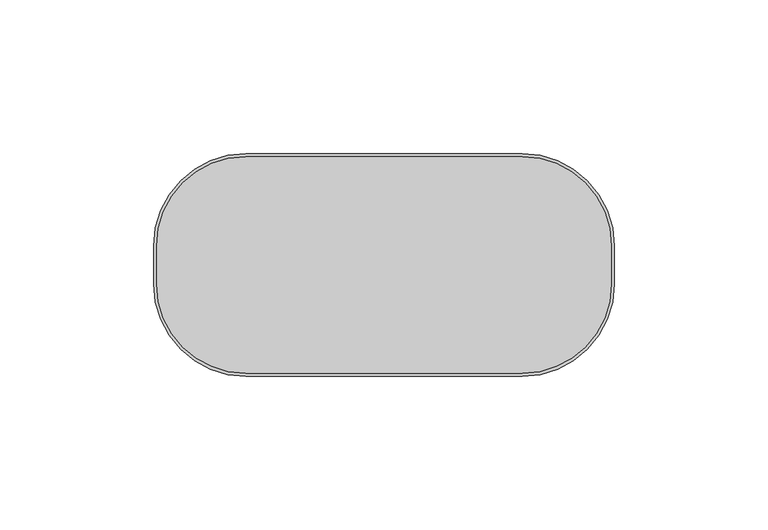
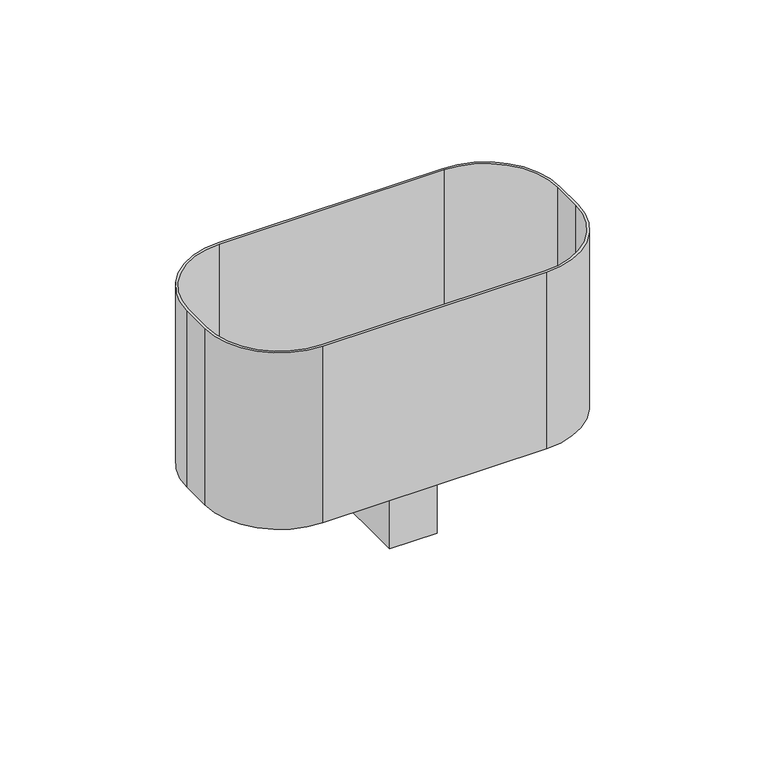
"""IFC4 building model written with IfcOpenShell, lengths in millimetres: proxy geometry."""

from ifc_helpers import new_model, si_unit, point, frame, frame_2d, origin, place, context, project, spatial, polyline, circle_curve, trimmed, segment, composite_curve, outline, extrude, source, transform, mapped, element, save


def electrical_fixtures_a0903df9(model_context):
    return source(origin(), model_context, "Body", "SweptSolid", [
        extrude(outline(polyline([(9.5, -21.3679385), (-9.5, -21.3679385), (-9.5, 19.7701789), (9.5, 19.7701789), (9.5, -21.3679385)])), frame((0.0, 0.0, -107.5), z_axis=(0.0, 0.0, 1.0), x_axis=(1.0, 0.0, 0.0)), (0.0, 0.0, 1.0), 32.5),
        extrude(outline(composite_curve([segment(polyline([(-45.0, 35.25), (45.0, 35.25)]), True, "CONTINUOUS"), segment(trimmed(circle_curve(frame_2d((45.0, 6.25)), 29.0), [point((45.0, 35.25))], [point((74.0, 6.25))], False, "CARTESIAN"), True, "CONTINUOUS"), segment(polyline([(74.0, 6.25), (74.0, -6.25)]), True, "CONTINUOUS"), segment(trimmed(circle_curve(frame_2d((45.0, -6.25)), 29.0), [point((74.0, -6.25))], [point((45.0, -35.25))], False, "CARTESIAN"), True, "CONTINUOUS"), segment(polyline([(45.0, -35.25), (-45.0, -35.25)]), True, "CONTINUOUS"), segment(trimmed(circle_curve(frame_2d((-45.0, -6.25)), 29.0), [point((-45.0, -35.25))], [point((-74.0, -6.25))], False, "CARTESIAN"), True, "CONTINUOUS"), segment(polyline([(-74.0, -6.25), (-74.0, 6.25)]), True, "CONTINUOUS"), segment(trimmed(circle_curve(frame_2d((-45.0, 6.25)), 29.0), [point((-74.0, 6.25))], [point((-45.0, 35.25))], False, "CARTESIAN"), True, "CONTINUOUS")], self_intersect=False)), frame((0.0, 0.0, -75.0), z_axis=(0.0, 0.0, 1.0), x_axis=(1.0, 0.0, 0.0)), (0.0, 0.0, 1.0), 1.0),
        extrude(outline(composite_curve([segment(trimmed(circle_curve(frame_2d((45.0, -6.25)), 30.0), [point((75.0, -6.25))], [point((45.0, -36.25))], False, "CARTESIAN"), True, "CONTINUOUS"), segment(polyline([(45.0, -36.25), (-45.0, -36.25)]), True, "CONTINUOUS"), segment(trimmed(circle_curve(frame_2d((-45.0, -6.25)), 30.0), [point((-45.0, -36.25))], [point((-75.0, -6.25))], False, "CARTESIAN"), True, "CONTINUOUS"), segment(polyline([(-75.0, -6.25), (-75.0, 6.25)]), True, "CONTINUOUS"), segment(trimmed(circle_curve(frame_2d((-45.0, 6.25)), 30.0), [point((-75.0, 6.25))], [point((-45.0, 36.25))], False, "CARTESIAN"), True, "CONTINUOUS"), segment(polyline([(-45.0, 36.25), (45.0, 36.25)]), True, "CONTINUOUS"), segment(trimmed(circle_curve(frame_2d((45.0, 6.25)), 30.0), [point((45.0, 36.25))], [point((75.0, 6.25))], False, "CARTESIAN"), True, "CONTINUOUS"), segment(polyline([(75.0, 6.25), (75.0, -6.25)]), True, "CONTINUOUS")], self_intersect=False), holes=[composite_curve([segment(trimmed(circle_curve(frame_2d((-45.0, 6.25)), 29.0), [point((-45.0, 35.25))], [point((-74.0, 6.25))], True, "CARTESIAN"), True, "CONTINUOUS"), segment(polyline([(-74.0, 6.25), (-74.0, -6.25)]), True, "CONTINUOUS"), segment(trimmed(circle_curve(frame_2d((-45.0, -6.25)), 29.0), [point((-74.0, -6.25))], [point((-45.0, -35.25))], True, "CARTESIAN"), True, "CONTINUOUS"), segment(polyline([(-45.0, -35.25), (45.0, -35.25)]), True, "CONTINUOUS"), segment(trimmed(circle_curve(frame_2d((45.0, -6.25)), 29.0), [point((45.0, -35.25))], [point((74.0, -6.25))], True, "CARTESIAN"), True, "CONTINUOUS"), segment(polyline([(74.0, -6.25), (74.0, 6.25)]), True, "CONTINUOUS"), segment(trimmed(circle_curve(frame_2d((45.0, 6.25)), 29.0), [point((74.0, 6.25))], [point((45.0, 35.25))], True, "CARTESIAN"), True, "CONTINUOUS"), segment(polyline([(45.0, 35.25), (-45.0, 35.25)]), True, "CONTINUOUS")], self_intersect=False)]), frame((0.0, 0.0, -75.0), z_axis=(0.0, 0.0, 1.0), x_axis=(1.0, 0.0, 0.0)), (0.0, 0.0, 1.0), 75.0),
    ])


if __name__ == "__main__":
    model = new_model("IFC4")
    model_context = context("Model", 3, world=origin())
    ifc_project = project(units=[si_unit("LENGTHUNIT", "METRE", prefix="MILLI")], contexts=[model_context])
    site = spatial("IfcSite", under=ifc_project)
    building = spatial("IfcBuilding", under=site)
    placement = place(None, origin())
    electrical_fixtures_shape = electrical_fixtures_a0903df9(model_context)
    element("IfcBuildingElementProxy", 1, Name="Electrical Fixtures", at=placement, inside=building, context=model_context, shape_type="MappedRepresentation", body=[
        mapped(electrical_fixtures_shape, transform((0.0, 0.0, 0.0), x_axis=(1.0, 0.0, 0.0), y_axis=(0.0, 1.0, 0.0), z_axis=(0.0, 0.0, 1.0))),
    ])
    save(model, "model.ifc")
